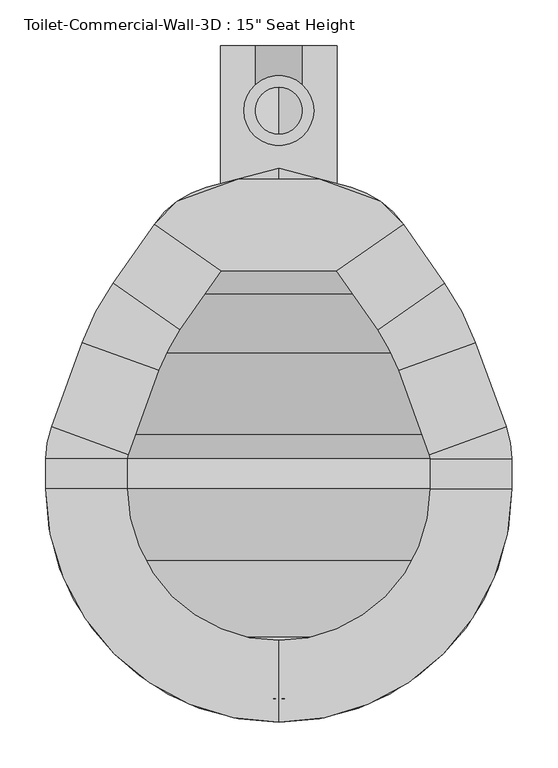
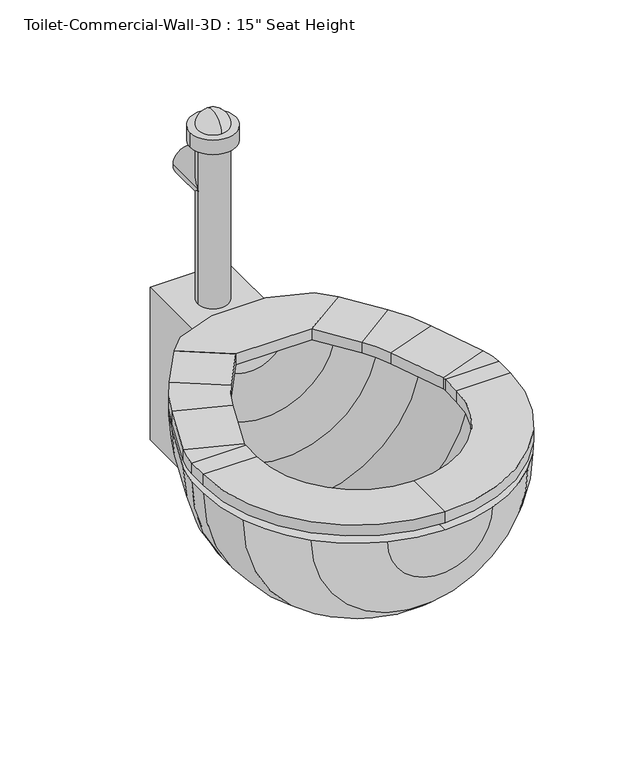
"""IFC4 building model written with IfcOpenShell, lengths in millimetres: flow terminal geometry."""

from ifc_helpers import new_model, si_unit, point, frame, frame_2d, origin, place, context, project, spatial, polyline, circle_curve, ellipse_curve, trimmed, segment, composite_curve, outline, extrude, source, transform, mapped, element, save
from ifc_brep_helpers import plane_surface, cylinder_surface, revolved_surface, advanced_brep


def flow_terminal_64b826e0(model_context):
    return source(origin(), model_context, "Body", "SolidModel", [
        extrude(outline(polyline([(467.7541169, -416.4847495), (342.0521907, -416.4847495), (269.229574, -365.4938043), (294.1800557, -340.5433226), (360.2423986, -316.4985961), (449.563909, -316.4985961), (515.6262519, -340.5433226), (540.5767337, -365.4938043), (467.7541169, -416.4847495)])), frame((0.0, 0.0, 355.6), z_axis=(0.0, 0.0, 1.0), x_axis=(1.0, 0.0, 0.0)), (0.0, 0.0, 1.0), 19.05),
        advanced_brep(
        [(467.7541169, -416.4847495, 355.6), (467.7541169, -416.4847495, 374.65), (540.5767337, -365.4938043, 374.65), (540.5767337, -365.4938043, 355.6), (585.6810159, -429.9093951, 355.6), (512.8583992, -480.9003403, 355.6), (585.6810159, -429.9093951, 374.65), (512.8583992, -480.9003403, 374.65), (619.360053, -494.6062234, 355.6), (535.821379, -525.0118141, 355.6), (619.360053, -494.6062234, 374.65), (535.821379, -525.0118141, 374.65), (652.7759241, -586.4155747, 355.6), (569.2372501, -616.8211654, 355.6), (652.7759241, -586.4155747, 374.65), (569.2372501, -616.8211654, 374.65), (658.9031538, -621.1648212, 355.6), (570.0031538, -621.1648212, 355.6), (658.9031538, -621.1648212, 374.65), (570.0031538, -621.1648212, 374.65), (658.9031538, -654.05, 355.6), (570.0031538, -654.05, 355.6), (658.9031538, -654.05, 374.65), (570.0031538, -654.05, 374.65), (404.9031538, -908.05, 355.6), (404.9031538, -819.15, 355.6), (404.9031538, -908.05, 374.65), (404.9031538, -819.15, 374.65), (150.9031538, -654.05, 355.6), (239.8031538, -654.05, 355.6), (150.9031538, -654.05, 374.65), (239.8031538, -654.05, 374.65), (150.9031538, -621.1648212, 355.6), (239.8031538, -621.1648212, 355.6), (150.9031538, -621.1648212, 374.65), (239.8031538, -621.1648212, 374.65), (157.0303835, -586.4155747, 355.6), (240.5690575, -616.8211654, 355.6), (157.0303835, -586.4155747, 374.65), (240.5690575, -616.8211654, 374.65), (190.4462546, -494.6062234, 355.6), (273.9849286, -525.0118141, 355.6), (190.4462546, -494.6062234, 374.65), (273.9849286, -525.0118141, 374.65), (224.1252917, -429.9093951, 355.6), (296.9479084, -480.9003403, 355.6), (224.1252917, -429.9093951, 374.65), (296.9479084, -480.9003403, 374.65), (342.0521907, -416.4847495, 355.6), (269.229574, -365.4938043, 355.6), (269.229574, -365.4938043, 374.65), (342.0521907, -416.4847495, 374.65)],
        [
            (0, 1),
            (1, 2),
            (2, 3),
            (3, 0),
            (3, 4),
            (4, 5),
            (5, 0),
            (2, 6),
            (6, 4),
            (1, 7),
            (7, 6),
            (5, 7),
            (8, 9),
            (9, 5, circle_curve(frame((356.8099347, -590.1666514, 355.6), z_axis=(0.0, 0.0, 1.0), x_axis=(0.81915204428899, 0.5735764363510486, 0.0)), 190.5)),
            (4, 8, circle_curve(frame((356.8099347, -590.1666514, 355.6), z_axis=(0.0, 0.0, -1.0), x_axis=(0.81915204428899, 0.5735764363510486, 0.0)), 279.4)),
            (10, 8),
            (6, 10, circle_curve(frame((356.8099347, -590.1666514, 374.65), z_axis=(0.0, 0.0, -1.0), x_axis=(0.81915204428899, 0.5735764363510486, 0.0)), 279.4)),
            (11, 10),
            (7, 11, circle_curve(frame((356.8099347, -590.1666514, 374.65), z_axis=(0.0, 0.0, -1.0), x_axis=(0.81915204428899, 0.5735764363510486, 0.0)), 190.5)),
            (9, 11),
            (8, 12),
            (12, 13),
            (13, 9),
            (10, 14),
            (14, 12),
            (11, 15),
            (15, 14),
            (13, 15),
            (16, 17),
            (17, 13, circle_curve(frame((557.3031538, -621.1648212, 355.6), z_axis=(0.0, 0.0, 1.0), x_axis=(0.9396926207859057, 0.3420201433256761, 0.0)), 12.7)),
            (12, 16, circle_curve(frame((557.3031538, -621.1648212, 355.6), z_axis=(0.0, 0.0, -1.0), x_axis=(0.9396926207859057, 0.3420201433256761, 0.0)), 101.6)),
            (18, 16),
            (14, 18, circle_curve(frame((557.3031538, -621.1648212, 374.65), z_axis=(0.0, 0.0, -1.0), x_axis=(0.9396926207859057, 0.3420201433256761, 0.0)), 101.6)),
            (19, 18),
            (15, 19, circle_curve(frame((557.3031538, -621.1648212, 374.65), z_axis=(0.0, 0.0, -1.0), x_axis=(0.9396926207859057, 0.3420201433256761, 0.0)), 12.7)),
            (17, 19),
            (16, 20),
            (20, 21),
            (21, 17),
            (18, 22),
            (22, 20),
            (19, 23),
            (23, 22),
            (21, 23),
            (24, 25),
            (25, 21, circle_curve(frame((404.9031538, -654.05, 355.6), z_axis=(0.0, 0.0, 1.0), x_axis=(1.0, 0.0, 0.0)), 165.1)),
            (20, 24, circle_curve(frame((404.9031538, -654.05, 355.6), z_axis=(0.0, 0.0, -1.0), x_axis=(1.0, 0.0, 0.0)), 254.0)),
            (26, 24),
            (22, 26, circle_curve(frame((404.9031538, -654.05, 374.65), z_axis=(0.0, 0.0, -1.0), x_axis=(1.0, 0.0, 0.0)), 254.0)),
            (27, 26),
            (23, 27, circle_curve(frame((404.9031538, -654.05, 374.65), z_axis=(0.0, 0.0, -1.0), x_axis=(1.0, 0.0, 0.0)), 165.1)),
            (25, 27),
            (28, 29),
            (29, 25, circle_curve(frame((404.9031538, -654.05, 355.6), z_axis=(0.0, 0.0, 1.0), x_axis=(0.0, -1.0, 0.0)), 165.1)),
            (24, 28, circle_curve(frame((404.9031538, -654.05, 355.6), z_axis=(0.0, 0.0, -1.0), x_axis=(0.0, -1.0, 0.0)), 254.0)),
            (30, 28),
            (26, 30, circle_curve(frame((404.9031538, -654.05, 374.65), z_axis=(0.0, 0.0, -1.0), x_axis=(0.0, -1.0, 0.0)), 254.0)),
            (31, 30),
            (27, 31, circle_curve(frame((404.9031538, -654.05, 374.65), z_axis=(0.0, 0.0, -1.0), x_axis=(0.0, -1.0, 0.0)), 165.1)),
            (29, 31),
            (28, 32),
            (32, 33),
            (33, 29),
            (30, 34),
            (34, 32),
            (31, 35),
            (35, 34),
            (33, 35),
            (36, 37),
            (37, 33, circle_curve(frame((252.5031538, -621.1648212, 355.6), z_axis=(0.0, 0.0, 1.0), x_axis=(-1.0, 0.0, 0.0)), 12.7)),
            (32, 36, circle_curve(frame((252.5031538, -621.1648212, 355.6), z_axis=(0.0, 0.0, -1.0), x_axis=(-1.0, 0.0, 0.0)), 101.6)),
            (38, 36),
            (34, 38, circle_curve(frame((252.5031538, -621.1648212, 374.65), z_axis=(0.0, 0.0, -1.0), x_axis=(-1.0, 0.0, 0.0)), 101.6)),
            (39, 38),
            (35, 39, circle_curve(frame((252.5031538, -621.1648212, 374.65), z_axis=(0.0, 0.0, -1.0), x_axis=(-1.0, 0.0, 0.0)), 12.7)),
            (37, 39),
            (36, 40),
            (40, 41),
            (41, 37),
            (38, 42),
            (42, 40),
            (39, 43),
            (43, 42),
            (41, 43),
            (44, 45),
            (45, 41, circle_curve(frame((452.9963729, -590.1666514, 355.6), z_axis=(0.0, 0.0, 1.0), x_axis=(-0.939692620785909, 0.3420201433256672, 0.0)), 190.5)),
            (40, 44, circle_curve(frame((452.9963729, -590.1666514, 355.6), z_axis=(0.0, 0.0, -1.0), x_axis=(-0.939692620785909, 0.3420201433256672, 0.0)), 279.4)),
            (46, 44),
            (42, 46, circle_curve(frame((452.9963729, -590.1666514, 374.65), z_axis=(0.0, 0.0, -1.0), x_axis=(-0.939692620785909, 0.3420201433256672, 0.0)), 279.4)),
            (47, 46),
            (43, 47, circle_curve(frame((452.9963729, -590.1666514, 374.65), z_axis=(0.0, 0.0, -1.0), x_axis=(-0.939692620785909, 0.3420201433256672, 0.0)), 190.5)),
            (45, 47),
            (48, 49),
            (49, 50),
            (50, 51),
            (51, 48),
            (44, 49),
            (48, 45),
            (46, 50),
            (47, 51),
        ],
        [
            plane_surface(frame((540.5767337, -365.4938043, 437.2995365), z_axis=(-0.5735764363510436, 0.8191520442889937, 0.0), x_axis=(0.8191520442889937, 0.5735764363510436, 0.0))),
            plane_surface(frame((467.7541169, -416.4847495, 355.6), z_axis=(0.0, 0.0, -1.0), x_axis=(0.5735764363510443, -0.8191520442889931, 0.0))),
            plane_surface(frame((540.5767337, -365.4938043, 355.6), z_axis=(0.8191520442889935, 0.5735764363510438, 0.0), x_axis=(0.5735764363510438, -0.8191520442889935, 0.0))),
            plane_surface(frame((540.5767337, -365.4938043, 374.65), z_axis=(0.0, 0.0, 1.0), x_axis=(0.5735764363510428, -0.8191520442889941, 0.0))),
            plane_surface(frame((467.7541169, -416.4847495, 374.65), z_axis=(-0.8191520442889935, -0.5735764363510438, 0.0), x_axis=(0.5735764363510438, -0.8191520442889935, 0.0))),
            plane_surface(frame((356.8099347, -590.1666514, 355.6), z_axis=(0.0, 0.0, -1.0), x_axis=(0.81915204428899, 0.5735764363510486, 0.0))),
            cylinder_surface(frame((356.8099347, -590.1666514, 342.9), z_axis=(0.0, 0.0, 1.0), x_axis=(0.81915204428899, 0.5735764363510486, 0.0)), 279.4),
            plane_surface(frame((356.8099347, -590.1666514, 374.65), z_axis=(0.0, 0.0, 1.0), x_axis=(0.81915204428899, 0.5735764363510486, 0.0))),
            revolved_surface(polyline([(512.8583991370526, -480.90034027512525, 374.65), (512.8583991370526, -480.90034027512525, 355.6)]), (356.8099347, -590.1666514, 342.9), (0.0, 0.0, 1.0)),
            plane_surface(frame((535.821379, -525.0118141, 355.6), z_axis=(0.0, 0.0, -1.0000000000000002), x_axis=(0.34202014332565994, -0.9396926207859116, 0.0))),
            plane_surface(frame((619.360053, -494.6062234, 355.6), z_axis=(0.9396926207859115, 0.34202014332566016, 0.0), x_axis=(0.34202014332566016, -0.9396926207859115, 0.0))),
            plane_surface(frame((619.360053, -494.6062234, 374.65), z_axis=(0.0, 0.0, 1.0), x_axis=(0.34202014332566016, -0.9396926207859115, 0.0))),
            plane_surface(frame((535.821379, -525.0118141, 374.65), z_axis=(-0.9396926207859118, -0.34202014332565955, 0.0), x_axis=(0.34202014332565955, -0.9396926207859118, 0.0))),
            plane_surface(frame((557.3031538, -621.1648212, 355.6), z_axis=(0.0, 0.0, -1.0000000000000002), x_axis=(0.9396926207859058, 0.34202014332567615, 0.0))),
            cylinder_surface(frame((557.3031538, -621.1648212, 342.9), z_axis=(0.0, 0.0, 1.0), x_axis=(0.9396926207859057, 0.3420201433256761, 0.0)), 101.6),
            plane_surface(frame((557.3031538, -621.1648212, 374.65), z_axis=(0.0, 0.0, 1.0000000000000002), x_axis=(0.9396926207859058, 0.34202014332567615, 0.0))),
            revolved_surface(polyline([(569.237250083981, -616.8211653797639, 374.65), (569.237250083981, -616.8211653797639, 355.6)]), (557.3031538, -621.1648212, 342.9), (0.0, 0.0, 1.0)),
            plane_surface(frame((570.0031538, -621.1648212, 355.6), z_axis=(0.0, 0.0, -1.0), x_axis=(0.0, -1.0, 0.0))),
            plane_surface(frame((658.9031538, -621.1648212, 355.6), z_axis=(1.0, 0.0, 0.0), x_axis=(0.0, -1.0, 0.0))),
            plane_surface(frame((658.9031538, -621.1648212, 374.65), z_axis=(0.0, 0.0, 1.0), x_axis=(0.0, -1.0, 0.0))),
            plane_surface(frame((570.0031538, -621.1648212, 374.65), z_axis=(-1.0, 0.0, 0.0), x_axis=(0.0, -1.0, 0.0))),
            plane_surface(frame((404.9031538, -654.05, 355.6), z_axis=(0.0, 0.0, -1.0), x_axis=(1.0, 0.0, 0.0))),
            cylinder_surface(frame((404.9031538, -654.05, 342.9), z_axis=(0.0, 0.0, 1.0), x_axis=(1.0, 0.0, 0.0)), 254.0),
            plane_surface(frame((404.9031538, -654.05, 374.65), z_axis=(0.0, 0.0, 1.0), x_axis=(1.0, 0.0, 0.0))),
            revolved_surface(polyline([(570.0031538, -654.05, 374.65), (570.0031538, -654.05, 355.6)]), (404.9031538, -654.05, 342.9), (0.0, 0.0, 1.0)),
            plane_surface(frame((404.9031538, -654.05, 355.6), z_axis=(0.0, 0.0, -1.0), x_axis=(0.0, -1.0, 0.0))),
            cylinder_surface(frame((404.9031538, -654.05, 342.9), z_axis=(0.0, 0.0, 1.0), x_axis=(0.0, -1.0, 0.0)), 254.0),
            plane_surface(frame((404.9031538, -654.05, 374.65), z_axis=(0.0, 0.0, 1.0), x_axis=(0.0, -1.0, 0.0))),
            revolved_surface(polyline([(404.9031538, -819.15, 374.65), (404.9031538, -819.15, 355.6)]), (404.9031538, -654.05, 342.9), (0.0, 0.0, 1.0)),
            plane_surface(frame((239.8031538, -654.05, 355.6), z_axis=(0.0, 0.0, -1.0), x_axis=(0.0, 1.0, 0.0))),
            plane_surface(frame((150.9031538, -654.05, 355.6), z_axis=(-1.0, 0.0, 0.0), x_axis=(0.0, 1.0, 0.0))),
            plane_surface(frame((150.9031538, -654.05, 374.65), z_axis=(0.0, 0.0, 1.0), x_axis=(0.0, 1.0, 0.0))),
            plane_surface(frame((239.8031538, -654.05, 374.65), z_axis=(1.0, 0.0, 0.0), x_axis=(0.0, 1.0, 0.0))),
            plane_surface(frame((252.5031538, -621.1648212, 355.6), z_axis=(0.0, 0.0, -1.0), x_axis=(-1.0, 0.0, 0.0))),
            cylinder_surface(frame((252.5031538, -621.1648212, 342.9), z_axis=(0.0, 0.0, 1.0), x_axis=(-1.0, 0.0, 0.0)), 101.6),
            plane_surface(frame((252.5031538, -621.1648212, 374.65), z_axis=(0.0, 0.0, 1.0), x_axis=(-1.0, 0.0, 0.0))),
            revolved_surface(polyline([(239.80315380000002, -621.1648212, 374.65), (239.80315380000002, -621.1648212, 355.6)]), (252.5031538, -621.1648212, 342.9), (0.0, 0.0, 1.0)),
            plane_surface(frame((240.5690575, -616.8211654, 355.6), z_axis=(0.0, 0.0, -1.0), x_axis=(0.342020143325658, 0.9396926207859123, 0.0))),
            plane_surface(frame((157.0303835, -586.4155747, 355.6), z_axis=(-0.9396926207859123, 0.3420201433256579, 0.0), x_axis=(0.3420201433256579, 0.9396926207859123, 0.0))),
            plane_surface(frame((157.0303835, -586.4155747, 374.65), z_axis=(0.0, 0.0, 1.0), x_axis=(0.3420201433256579, 0.9396926207859123, 0.0))),
            plane_surface(frame((240.5690575, -616.8211654, 374.65), z_axis=(0.9396926207859123, -0.342020143325658, 0.0), x_axis=(0.342020143325658, 0.9396926207859123, 0.0))),
            plane_surface(frame((452.9963729, -590.1666514, 355.6), z_axis=(0.0, 0.0, -1.0), x_axis=(-0.939692620785909, 0.3420201433256672, 0.0))),
            cylinder_surface(frame((452.9963729, -590.1666514, 342.9), z_axis=(0.0, 0.0, 1.0), x_axis=(-0.939692620785909, 0.3420201433256672, 0.0)), 279.4),
            plane_surface(frame((452.9963729, -590.1666514, 374.65), z_axis=(0.0, 0.0, 1.0), x_axis=(-0.939692620785909, 0.3420201433256672, 0.0))),
            revolved_surface(polyline([(273.98492864028435, -525.0118140964604, 374.65), (273.98492864028435, -525.0118140964604, 355.6)]), (452.9963729, -590.1666514, 342.9), (0.0, 0.0, 1.0)),
            plane_surface(frame((269.229574, -365.4938043, 248.5004635), z_axis=(0.5735764363510469, 0.8191520442889914, 0.0), x_axis=(0.8191520442889914, -0.5735764363510469, 0.0))),
            plane_surface(frame((296.9479084, -480.9003403, 355.6), z_axis=(0.0, 0.0, -1.0), x_axis=(0.5735764363510468, 0.8191520442889914, 0.0))),
            plane_surface(frame((224.1252917, -429.9093951, 355.6), z_axis=(-0.8191520442889909, 0.5735764363510474, 0.0), x_axis=(0.5735764363510474, 0.8191520442889909, 0.0))),
            plane_surface(frame((224.1252917, -429.9093951, 374.65), z_axis=(0.0, 0.0, 1.0000000000000002), x_axis=(0.5735764363510467, 0.8191520442889915, 0.0))),
            plane_surface(frame((296.9479084, -480.9003403, 374.65), z_axis=(0.8191520442889916, -0.5735764363510465, 0.0), x_axis=(0.5735764363510465, 0.8191520442889916, 0.0))),
        ],
        [
            (0, [[1, 2, 3, 4]]),
            (1, [[5, 6, 7, -4]]),
            (2, [[8, 9, -5, -3]]),
            (3, [[10, 11, -8, -2]]),
            (4, [[-7, 12, -10, -1]]),
            (5, [[13, 14, -6, 15]]),
            (6, [[16, -15, -9, 17]]),
            (7, [[18, -17, -11, 19]]),
            (8, [[20, -19, -12, -14]]),
            (9, [[21, 22, 23, -13]]),
            (10, [[24, 25, -21, -16]]),
            (11, [[26, 27, -24, -18]]),
            (12, [[-23, 28, -26, -20]]),
            (13, [[29, 30, -22, 31]]),
            (14, [[32, -31, -25, 33]]),
            (15, [[34, -33, -27, 35]]),
            (16, [[36, -35, -28, -30]]),
            (17, [[37, 38, 39, -29]]),
            (18, [[40, 41, -37, -32]]),
            (19, [[42, 43, -40, -34]]),
            (20, [[-39, 44, -42, -36]]),
            (21, [[45, 46, -38, 47]]),
            (22, [[48, -47, -41, 49]]),
            (23, [[50, -49, -43, 51]]),
            (24, [[52, -51, -44, -46]]),
            (25, [[53, 54, -45, 55]]),
            (26, [[56, -55, -48, 57]]),
            (27, [[58, -57, -50, 59]]),
            (28, [[60, -59, -52, -54]]),
            (29, [[61, 62, 63, -53]]),
            (30, [[64, 65, -61, -56]]),
            (31, [[66, 67, -64, -58]]),
            (32, [[-63, 68, -66, -60]]),
            (33, [[69, 70, -62, 71]]),
            (34, [[72, -71, -65, 73]]),
            (35, [[74, -73, -67, 75]]),
            (36, [[76, -75, -68, -70]]),
            (37, [[77, 78, 79, -69]]),
            (38, [[80, 81, -77, -72]]),
            (39, [[82, 83, -80, -74]]),
            (40, [[-79, 84, -82, -76]]),
            (41, [[85, 86, -78, 87]]),
            (42, [[88, -87, -81, 89]]),
            (43, [[90, -89, -83, 91]]),
            (44, [[92, -91, -84, -86]]),
            (45, [[93, 94, 95, 96]]),
            (46, [[97, -93, 98, -85]]),
            (47, [[99, -94, -97, -88]]),
            (48, [[100, -95, -99, -90]]),
            (49, [[-98, -96, -100, -92]]),
        ],
    ),
        advanced_brep(
        [(491.7762702, -892.7319257, 342.9), (584.5082762, -833.6551224, 342.9), (643.5850795, -740.9231164, 342.9), (658.9031538, -654.05, 342.9), (658.9031538, -621.1648212, 342.9), (652.7759241, -586.4155747, 342.9), (619.360053, -494.6062234, 342.9), (585.6810159, -429.9093951, 342.9), (540.5767337, -365.4938043, 342.9), (483.6469009, -325.6311063, 342.9), (404.9031538, -304.5317829, 342.9), (404.9031538, -330.8277978, 342.9), (468.1430637, -347.7728806, 342.9), (525.0728964, -387.6355786, 342.9), (562.9565296, -441.7390139, 342.9), (596.6355667, -506.4358422, 342.9), (628.9077315, -595.1028863, 342.9), (633.5031538, -621.1648212, 342.9), (633.5031538, -654.05, 342.9), (619.7168869, -732.2358048, 342.9), (566.547764, -815.6946102, 342.9), (483.0889586, -868.8637331, 342.9), (404.9031538, -882.65, 342.9), (404.9031538, -908.05, 342.9), (318.0300374, -892.7319257, 342.9), (326.7173491, -868.8637331, 342.9), (243.2585436, -815.6946102, 342.9), (190.0894207, -732.2358048, 342.9), (176.3031538, -654.05, 342.9), (176.3031538, -621.1648212, 342.9), (180.8985761, -595.1028863, 342.9), (213.1707409, -506.4358422, 342.9), (246.849778, -441.7390139, 342.9), (284.7334112, -387.6355786, 342.9), (341.663244, -347.7728806, 342.9), (326.1594067, -325.6311063, 342.9), (269.229574, -365.4938043, 342.9), (224.1252917, -429.9093951, 342.9), (190.4462546, -494.6062234, 342.9), (157.0303835, -586.4155747, 342.9), (150.9031538, -621.1648212, 342.9), (150.9031538, -654.05, 342.9), (166.2212281, -740.9231164, 342.9), (225.2980314, -833.6551224, 342.9)],
        [
            (0, 1, circle_curve(frame((404.9031538, -654.05, 342.9), z_axis=(0.0, 0.0, 1.0), x_axis=(1.0, 0.0, 0.0)), 254.0)),
            (1, 2, circle_curve(frame((404.9031538, -654.05, 342.9), z_axis=(0.0, 0.0, 1.0), x_axis=(1.0, 0.0, 0.0)), 254.0)),
            (2, 3, circle_curve(frame((404.9031538, -654.05, 342.9), z_axis=(0.0, 0.0, 1.0), x_axis=(1.0, 0.0, 0.0)), 254.0)),
            (3, 4),
            (4, 5, circle_curve(frame((557.3031538, -621.1648212, 342.9), z_axis=(0.0, 0.0, 1.0), x_axis=(1.0, 0.0, 0.0)), 101.6)),
            (5, 6),
            (6, 7, circle_curve(frame((356.8099347, -590.1666514, 342.9), z_axis=(0.0, 0.0, 1.0), x_axis=(1.0, 0.0, 0.0)), 279.4)),
            (7, 8),
            (8, 9, circle_curve(frame((457.350886, -423.7691703, 342.9), z_axis=(0.0, 0.0, 1.0), x_axis=(1.0, 0.0, 0.0)), 101.6)),
            (9, 10),
            (10, 11),
            (11, 12),
            (12, 13, circle_curve(frame((441.8470487, -445.9109446, 342.9), z_axis=(0.0, 0.0, -1.0), x_axis=(1.0, 0.0, 0.0)), 101.6)),
            (13, 14),
            (14, 15, circle_curve(frame((334.0854485, -601.9962703, 342.9), z_axis=(0.0, 0.0, -1.0), x_axis=(1.0, 0.0, 0.0)), 279.4)),
            (15, 16),
            (16, 17, circle_curve(frame((557.3031538, -621.1648212, 342.9), z_axis=(0.0, 0.0, -1.0), x_axis=(1.0, 0.0, 0.0)), 76.2)),
            (17, 18),
            (18, 19, circle_curve(frame((404.9031538, -654.05, 342.9), z_axis=(0.0, 0.0, -1.0), x_axis=(1.0, 0.0, 0.0)), 228.6)),
            (19, 20, circle_curve(frame((404.9031538, -654.05, 342.9), z_axis=(0.0, 0.0, -1.0), x_axis=(1.0, 0.0, 0.0)), 228.6)),
            (20, 21, circle_curve(frame((404.9031538, -654.05, 342.9), z_axis=(0.0, 0.0, -1.0), x_axis=(1.0, 0.0, 0.0)), 228.6)),
            (21, 22, circle_curve(frame((404.9031538, -654.05, 342.9), z_axis=(0.0, 0.0, -1.0), x_axis=(1.0, 0.0, 0.0)), 228.6)),
            (22, 23),
            (23, 0, circle_curve(frame((404.9031538, -654.05, 342.9), z_axis=(0.0, 0.0, 1.0), x_axis=(1.0, 0.0, 0.0)), 254.0)),
            (24, 23, circle_curve(frame((404.9031538, -654.05, 342.9), z_axis=(0.0, 0.0, 1.0), x_axis=(-1.0, 0.0, 0.0)), 254.0)),
            (22, 25, circle_curve(frame((404.9031538, -654.05, 342.9), z_axis=(0.0, 0.0, -1.0), x_axis=(-1.0, 0.0, 0.0)), 228.6)),
            (25, 26, circle_curve(frame((404.9031538, -654.05, 342.9), z_axis=(0.0, 0.0, -1.0), x_axis=(-1.0, 0.0, 0.0)), 228.6)),
            (26, 27, circle_curve(frame((404.9031538, -654.05, 342.9), z_axis=(0.0, 0.0, -1.0), x_axis=(-1.0, 0.0, 0.0)), 228.6)),
            (27, 28, circle_curve(frame((404.9031538, -654.05, 342.9), z_axis=(0.0, 0.0, -1.0), x_axis=(-1.0, 0.0, 0.0)), 228.6)),
            (28, 29),
            (29, 30, circle_curve(frame((252.5031538, -621.1648212, 342.9), z_axis=(0.0, 0.0, -1.0), x_axis=(-1.0, 0.0, 0.0)), 76.2)),
            (30, 31),
            (31, 32, circle_curve(frame((475.7208592, -601.9962703, 342.9), z_axis=(0.0, 0.0, -1.0), x_axis=(-1.0, 0.0, 0.0)), 279.4)),
            (32, 33),
            (33, 34, circle_curve(frame((367.9592589, -445.9109446, 342.9), z_axis=(0.0, 0.0, -1.0), x_axis=(-1.0, 0.0, 0.0)), 101.6)),
            (34, 11),
            (10, 35),
            (35, 36, circle_curve(frame((352.4554217, -423.7691703, 342.9), z_axis=(0.0, 0.0, 1.0), x_axis=(-1.0, 0.0, 0.0)), 101.6)),
            (36, 37),
            (37, 38, circle_curve(frame((452.9963729, -590.1666514, 342.9), z_axis=(0.0, 0.0, 1.0), x_axis=(-1.0, 0.0, 0.0)), 279.4)),
            (38, 39),
            (39, 40, circle_curve(frame((252.5031538, -621.1648212, 342.9), z_axis=(0.0, 0.0, 1.0), x_axis=(-1.0, 0.0, 0.0)), 101.6)),
            (40, 41),
            (41, 42, circle_curve(frame((404.9031538, -654.05, 342.9), z_axis=(0.0, 0.0, 1.0), x_axis=(-1.0, 0.0, 0.0)), 254.0)),
            (42, 43, circle_curve(frame((404.9031538, -654.05, 342.9), z_axis=(0.0, 0.0, 1.0), x_axis=(-1.0, 0.0, 0.0)), 254.0)),
            (43, 24, circle_curve(frame((404.9031538, -654.05, 342.9), z_axis=(0.0, 0.0, 1.0), x_axis=(-1.0, 0.0, 0.0)), 254.0)),
            (24, 0, circle_curve(frame((404.9031538, -892.7319257, 342.9), z_axis=(0.0, -1.0, 0.0), x_axis=(1.0, 0.0, 0.0)), 86.8731164)),
            (21, 25, circle_curve(frame((404.9031538, -868.8637331, 342.9), z_axis=(0.0, 1.0, 0.0), x_axis=(1.0, 0.0, 0.0)), 78.1858048)),
            (20, 26, circle_curve(frame((404.9031538, -815.6946102, 342.9), z_axis=(0.0, 1.0, 0.0), x_axis=(1.0, 0.0, 0.0)), 161.6446102)),
            (19, 27, circle_curve(frame((404.9031538, -732.2358048, 342.9), z_axis=(0.0, 1.0, 0.0), x_axis=(1.0, 0.0, 0.0)), 214.8137331)),
            (18, 28, circle_curve(frame((404.9031538, -654.05, 342.9), z_axis=(0.0, 1.0, 0.0), x_axis=(1.0, 0.0, 0.0)), 228.6)),
            (17, 29, circle_curve(frame((404.9031538, -621.1648212, 342.9), z_axis=(0.0, 1.0, 0.0), x_axis=(1.0, 0.0, 0.0)), 228.6)),
            (16, 30, circle_curve(frame((404.9031538, -595.1028863, 342.9), z_axis=(0.0, 1.0, 0.0), x_axis=(1.0, 0.0, 0.0)), 224.0045777)),
            (15, 31, circle_curve(frame((404.9031538, -506.4358422, 342.9), z_axis=(0.0, 1.0, 0.0), x_axis=(1.0, 0.0, 0.0)), 191.7324129)),
            (14, 32, circle_curve(frame((404.9031538, -441.7390139, 342.9), z_axis=(0.0, 1.0, 0.0), x_axis=(1.0, 0.0, 0.0)), 158.0533758)),
            (13, 33, circle_curve(frame((404.9031538, -387.6355786, 342.9), z_axis=(0.0, 1.0, 0.0), x_axis=(1.0, 0.0, 0.0)), 120.1697426)),
            (12, 34, circle_curve(frame((404.9031538, -347.7728806, 342.9), z_axis=(0.0, 1.0, 0.0), x_axis=(1.0, 0.0, 0.0)), 63.2399099)),
            (9, 35, circle_curve(frame((404.9031538, -325.6311063, 342.9), z_axis=(0.0, 1.0, 0.0), x_axis=(1.0, 0.0, 0.0)), 78.7437471)),
            (8, 36, circle_curve(frame((404.9031538, -365.4938043, 342.9), z_axis=(0.0, 1.0, 0.0), x_axis=(1.0, 0.0, 0.0)), 135.6735798)),
            (7, 37, circle_curve(frame((404.9031538, -429.9093951, 342.9), z_axis=(0.0, 1.0, 0.0), x_axis=(1.0, 0.0, 0.0)), 180.7778621)),
            (6, 38, circle_curve(frame((404.9031538, -494.6062234, 342.9), z_axis=(0.0, 1.0, 0.0), x_axis=(1.0, 0.0, 0.0)), 214.4568992)),
            (5, 39, circle_curve(frame((404.9031538, -586.4155747, 342.9), z_axis=(0.0, 1.0, 0.0), x_axis=(1.0, 0.0, 0.0)), 247.8727703)),
            (4, 40, circle_curve(frame((404.9031538, -621.1648212, 342.9), z_axis=(0.0, 1.0, 0.0), x_axis=(1.0, 0.0, 0.0)), 254.0)),
            (3, 41, circle_curve(frame((404.9031538, -654.05, 342.9), z_axis=(0.0, 1.0, 0.0), x_axis=(1.0, 0.0, 0.0)), 254.0)),
            (2, 42, circle_curve(frame((404.9031538, -740.9231164, 342.9), z_axis=(0.0, 1.0, 0.0), x_axis=(1.0, 0.0, 0.0)), 238.6819257)),
            (1, 43, circle_curve(frame((404.9031538, -833.6551224, 342.9), z_axis=(0.0, 1.0, 0.0), x_axis=(1.0, 0.0, 0.0)), 179.6051224)),
        ],
        [
            plane_surface(frame((404.9031538, -1013.2602448, 342.9), z_axis=(0.0, 0.0, 1.0), x_axis=(1.0, 0.0, 0.0))),
            plane_surface(frame((404.9031538, -1013.2602448, 342.9), z_axis=(0.0, 0.0, 1.0), x_axis=(-1.0, 0.0, 0.0))),
            revolved_surface(trimmed(ellipse_curve(frame((404.9031538, -654.05, 342.9), z_axis=(0.0, 0.0, -1.0), x_axis=(1.0, 0.0, 0.0)), 254.0, 254.0), [point((491.7762702, -892.7319257, 342.9))], [point((404.9031538, -908.05, 342.9))], True, "CARTESIAN"), (404.9031538, -1013.2602448, 342.9), (0.0, -1.0, 0.0)),
            revolved_surface(trimmed(ellipse_curve(frame((404.9031538, -654.05, 342.9), z_axis=(0.0, 0.0, 1.0), x_axis=(1.0, 0.0, 0.0)), 228.6, 228.6), [point((404.9031538, -882.65, 342.9))], [point((483.0889586, -868.8637331, 342.9))], True, "CARTESIAN"), (404.9031538, -1013.2602448, 342.9), (0.0, -1.0, 0.0)),
            revolved_surface(trimmed(ellipse_curve(frame((404.9031538, -654.05, 342.9), z_axis=(0.0, 0.0, 1.0), x_axis=(1.0, 0.0, 0.0)), 228.6, 228.6), [point((483.0889586, -868.8637331, 342.9))], [point((566.547764, -815.6946102, 342.9))], True, "CARTESIAN"), (404.9031538, -1013.2602448, 342.9), (0.0, -1.0, 0.0)),
            revolved_surface(trimmed(ellipse_curve(frame((404.9031538, -654.05, 342.9), z_axis=(0.0, 0.0, 1.0), x_axis=(1.0, 0.0, 0.0)), 228.6, 228.6), [point((566.547764, -815.6946102, 342.9))], [point((619.7168869, -732.2358048, 342.9))], True, "CARTESIAN"), (404.9031538, -1013.2602448, 342.9), (0.0, -1.0, 0.0)),
            revolved_surface(trimmed(ellipse_curve(frame((404.9031538, -654.05, 342.9), z_axis=(0.0, 0.0, 1.0), x_axis=(1.0, 0.0, 0.0)), 228.6, 228.6), [point((619.7168869, -732.2358048, 342.9))], [point((633.5031538, -654.05, 342.9))], True, "CARTESIAN"), (404.9031538, -1013.2602448, 342.9), (0.0, -1.0, 0.0)),
            revolved_surface(polyline([(633.5031538, -654.05, 342.9), (633.5031538, -621.1648212, 342.9)]), (404.9031538, -1013.2602448, 342.9), (0.0, -1.0, 0.0)),
            revolved_surface(trimmed(ellipse_curve(frame((557.3031538, -621.1648212, 342.9), z_axis=(0.0, 0.0, 1.0), x_axis=(1.0, 0.0, 0.0)), 76.2, 76.2), [point((633.5031538, -621.1648212, 342.9))], [point((628.9077315, -595.1028863, 342.9))], True, "CARTESIAN"), (404.9031538, -1013.2602448, 342.9), (0.0, -1.0, 0.0)),
            revolved_surface(polyline([(628.9077315, -595.1028863, 342.9), (596.6355667, -506.4358422, 342.9)]), (404.9031538, -1013.2602448, 342.9), (0.0, -1.0, 0.0)),
            revolved_surface(trimmed(ellipse_curve(frame((334.0854485, -601.9962703, 342.9), z_axis=(0.0, 0.0, 1.0), x_axis=(1.0, 0.0, 0.0)), 279.4, 279.4), [point((596.6355667, -506.4358422, 342.9))], [point((562.9565296, -441.7390139, 342.9))], True, "CARTESIAN"), (404.9031538, -1013.2602448, 342.9), (0.0, -1.0, 0.0)),
            revolved_surface(polyline([(562.9565296, -441.7390139, 342.9), (525.0728964, -387.6355786, 342.9)]), (404.9031538, -1013.2602448, 342.9), (0.0, -1.0, 0.0)),
            revolved_surface(trimmed(ellipse_curve(frame((441.8470487, -445.9109446, 342.9), z_axis=(0.0, 0.0, 1.0), x_axis=(1.0, 0.0, 0.0)), 101.6, 101.6), [point((525.0728964, -387.6355786, 342.9))], [point((468.1430637, -347.7728806, 342.9))], True, "CARTESIAN"), (404.9031538, -1013.2602448, 342.9), (0.0, -1.0, 0.0)),
            revolved_surface(polyline([(468.1430637, -347.7728806, 342.9), (404.9031538, -330.8277978, 342.9)]), (404.9031538, -1013.2602448, 342.9), (0.0, -1.0, 0.0)),
            revolved_surface(polyline([(404.9031538, -304.5317829, 342.9), (483.6469009, -325.6311063, 342.9)]), (404.9031538, -1013.2602448, 342.9), (0.0, -1.0, 0.0)),
            revolved_surface(trimmed(ellipse_curve(frame((457.350886, -423.7691703, 342.9), z_axis=(0.0, 0.0, -1.0), x_axis=(1.0, 0.0, 0.0)), 101.6, 101.6), [point((483.6469009, -325.6311063, 342.9))], [point((540.5767337, -365.4938043, 342.9))], True, "CARTESIAN"), (404.9031538, -1013.2602448, 342.9), (0.0, -1.0, 0.0)),
            revolved_surface(polyline([(540.5767337, -365.4938043, 342.9), (585.6810159, -429.9093951, 342.9)]), (404.9031538, -1013.2602448, 342.9), (0.0, -1.0, 0.0)),
            revolved_surface(trimmed(ellipse_curve(frame((356.8099347, -590.1666514, 342.9), z_axis=(0.0, 0.0, -1.0), x_axis=(1.0, 0.0, 0.0)), 279.4, 279.4), [point((585.6810159, -429.9093951, 342.9))], [point((619.360053, -494.6062234, 342.9))], True, "CARTESIAN"), (404.9031538, -1013.2602448, 342.9), (0.0, -1.0, 0.0)),
            revolved_surface(polyline([(619.360053, -494.6062234, 342.9), (652.7759241, -586.4155747, 342.9)]), (404.9031538, -1013.2602448, 342.9), (0.0, -1.0, 0.0)),
            revolved_surface(trimmed(ellipse_curve(frame((557.3031538, -621.1648212, 342.9), z_axis=(0.0, 0.0, -1.0), x_axis=(1.0, 0.0, 0.0)), 101.6, 101.6), [point((652.7759241, -586.4155747, 342.9))], [point((658.9031538, -621.1648212, 342.9))], True, "CARTESIAN"), (404.9031538, -1013.2602448, 342.9), (0.0, -1.0, 0.0)),
            cylinder_surface(frame((404.9031538, -1013.2602448, 342.9), z_axis=(0.0, -1.0, 0.0), x_axis=(1.0, 0.0, 0.0)), 254.0),
            revolved_surface(trimmed(ellipse_curve(frame((404.9031538, -654.05, 342.9), z_axis=(0.0, 0.0, -1.0), x_axis=(1.0, 0.0, 0.0)), 254.0, 254.0), [point((658.9031538, -654.05, 342.9))], [point((643.5850795, -740.9231164, 342.9))], True, "CARTESIAN"), (404.9031538, -1013.2602448, 342.9), (0.0, -1.0, 0.0)),
            revolved_surface(trimmed(ellipse_curve(frame((404.9031538, -654.05, 342.9), z_axis=(0.0, 0.0, -1.0), x_axis=(1.0, 0.0, 0.0)), 254.0, 254.0), [point((643.5850795, -740.9231164, 342.9))], [point((584.5082762, -833.6551224, 342.9))], True, "CARTESIAN"), (404.9031538, -1013.2602448, 342.9), (0.0, -1.0, 0.0)),
            revolved_surface(trimmed(ellipse_curve(frame((404.9031538, -654.05, 342.9), z_axis=(0.0, 0.0, -1.0), x_axis=(1.0, 0.0, 0.0)), 254.0, 254.0), [point((584.5082762, -833.6551224, 342.9))], [point((491.7762702, -892.7319257, 342.9))], True, "CARTESIAN"), (404.9031538, -1013.2602448, 342.9), (0.0, -1.0, 0.0)),
        ],
        [
            (0, [[1, 2, 3, 4, 5, 6, 7, 8, 9, 10, 11, 12, 13, 14, 15, 16, 17, 18, 19, 20, 21, 22, 23, 24]]),
            (1, [[25, -23, 26, 27, 28, 29, 30, 31, 32, 33, 34, 35, 36, -11, 37, 38, 39, 40, 41, 42, 43, 44, 45, 46]]),
            (2, [[-25, 47, -24]]),
            (3, [[-26, -22, 48]]),
            (4, [[-27, -48, -21, 49]]),
            (5, [[-28, -49, -20, 50]]),
            (6, [[-29, -50, -19, 51]]),
            (7, [[-30, -51, -18, 52]]),
            (8, [[-31, -52, -17, 53]]),
            (9, [[-32, -53, -16, 54]]),
            (10, [[-33, -54, -15, 55]]),
            (11, [[-34, -55, -14, 56]]),
            (12, [[-35, -56, -13, 57]]),
            (13, [[-36, -57, -12]]),
            (14, [[-37, -10, 58]]),
            (15, [[-38, -58, -9, 59]]),
            (16, [[-39, -59, -8, 60]]),
            (17, [[-40, -60, -7, 61]]),
            (18, [[-41, -61, -6, 62]]),
            (19, [[-42, -62, -5, 63]]),
            (20, [[-43, -63, -4, 64]]),
            (21, [[-44, -64, -3, 65]]),
            (22, [[-45, -65, -2, 66]]),
            (23, [[-46, -66, -1, -47]]),
        ],
    ),
        advanced_brep(
        [(404.9031538, -216.3676912, 647.7), (404.9031538, -241.9852737, 673.3175826), (404.9031538, -267.6028563, 647.7), (404.9031538, -241.9852737, 647.7)],
        [
            (0, 1, circle_curve(frame((404.9031538, -241.9852737, 647.7), z_axis=(1.0, 0.0, 0.0), x_axis=(0.0, -1.0, 0.0)), 25.6175826)),
            (1, 2, circle_curve(frame((404.9031538, -241.9852737, 647.7), z_axis=(1.0, 0.0, 0.0), x_axis=(0.0, 1.0, 0.0)), 25.6175826)),
            (2, 0, circle_curve(frame((404.9031538, -241.9852737, 647.7), z_axis=(0.0, 0.0, 1.0), x_axis=(0.0, -1.0, 0.0)), 25.6175826)),
            (0, 2, circle_curve(frame((404.9031538, -241.9852737, 647.7), z_axis=(0.0, 0.0, 1.0), x_axis=(0.0, -1.0, 0.0)), 25.6175826)),
            (3, 0),
            (2, 3),
        ],
        [
            revolved_surface(trimmed(ellipse_curve(frame((404.9031538, -241.9852737, 647.7), z_axis=(1.0, 0.0, 0.0), x_axis=(0.0, 1.0, 0.0)), 25.6175826, 25.6175826), [point((404.9031538, -241.9852737, 673.3175826))], [point((404.9031538, -267.6028563, 647.7))], True, "CARTESIAN"), (404.9031538, -241.9852737, 712.3277273), (0.0, 0.0, -1.0)),
            plane_surface(frame((404.9031538, -241.9852737, 647.7), z_axis=(0.0, 0.0, -1.0), x_axis=(0.0, -1.0, 0.0))),
        ],
        [
            (0, [[1, 2, 3]]),
            (0, [[-2, -1, 4]]),
            (1, [[5, -3, 6]]),
            (1, [[-6, -4, -5]]),
        ],
    ),
        extrude(outline(composite_curve([segment(trimmed(circle_curve(frame_2d((404.9031538, -241.9852737)), 38.1), [point((366.8031538, -241.9852737))], [point((443.0031538, -241.9852737))], False, "CARTESIAN"), True, "CONTINUOUS"), segment(trimmed(circle_curve(frame_2d((404.9031538, -241.9852737)), 38.1), [point((443.0031538, -241.9852737))], [point((366.8031538, -241.9852737))], False, "CARTESIAN"), True, "CONTINUOUS")], self_intersect=False)), frame((0.0, 0.0, 622.3), z_axis=(0.0, 0.0, 1.0), x_axis=(1.0, 0.0, 0.0)), (0.0, 0.0, 1.0), 25.4),
        extrude(outline(composite_curve([segment(trimmed(circle_curve(frame_2d((544.2113641, 404.9031538)), 25.4), [point((544.2113641, 379.5031538))], [point((544.2113641, 430.3031538))], False, "CARTESIAN"), True, "CONTINUOUS"), segment(trimmed(circle_curve(frame_2d((544.2113641, 404.9031538)), 25.4), [point((544.2113641, 430.3031538))], [point((544.2113641, 379.5031538))], False, "CARTESIAN"), True, "CONTINUOUS")], self_intersect=False)), frame((0.0, -242.09375, 0.0), z_axis=(0.0, 1.0, 0.0), x_axis=(0.0, 0.0, 1.0)), (0.0, 0.0, 1.0), 70.64375),
        extrude(outline(polyline([(-324.2537941, 342.9), (-171.45, 342.9), (-171.45, 76.2), (-391.4954017, 76.2), (-471.9926282, 134.0328588), (-367.9603185, 206.8770663), (-324.2537941, 269.296452), (-324.2537941, 342.9)])), frame((341.4031538, 0.0, 0.0), z_axis=(1.0, 0.0, 0.0), x_axis=(0.0, 1.0, 0.0)), (0.0, 0.0, 1.0), 127.0),
        extrude(outline(composite_curve([segment(trimmed(circle_curve(frame_2d((404.9031538, -241.9852737)), 25.4), [point((379.5031538, -241.9852737))], [point((430.3031538, -241.9852737))], False, "CARTESIAN"), True, "CONTINUOUS"), segment(trimmed(circle_curve(frame_2d((404.9031538, -241.9852737)), 25.4), [point((430.3031538, -241.9852737))], [point((379.5031538, -241.9852737))], False, "CARTESIAN"), True, "CONTINUOUS")], self_intersect=False)), frame((0.0, 0.0, 342.9), z_axis=(0.0, 0.0, 1.0), x_axis=(1.0, 0.0, 0.0)), (0.0, 0.0, 1.0), 279.4),
    ])


if __name__ == "__main__":
    model = new_model("IFC4")
    model_context = context("Model", 3, world=origin())
    ifc_project = project(units=[si_unit("LENGTHUNIT", "METRE", prefix="MILLI")], contexts=[model_context])
    site = spatial("IfcSite", under=ifc_project)
    building = spatial("IfcBuilding", under=site)
    placement = place(None, origin())
    flow_terminal_shape = flow_terminal_64b826e0(model_context)
    element("IfcFlowTerminal", 1, ObjectType="Toilet-Commercial-Wall-3D : 15\" Seat Height", at=placement, inside=building, context=model_context, shape_type="MappedRepresentation", body=[
        mapped(flow_terminal_shape, transform((0.0, 0.0, 0.0), x_axis=(1.0, 0.0, 0.0), y_axis=(0.0, 1.0, 0.0), z_axis=(0.0, 0.0, 1.0))),
    ])
    save(model, "model.ifc")
